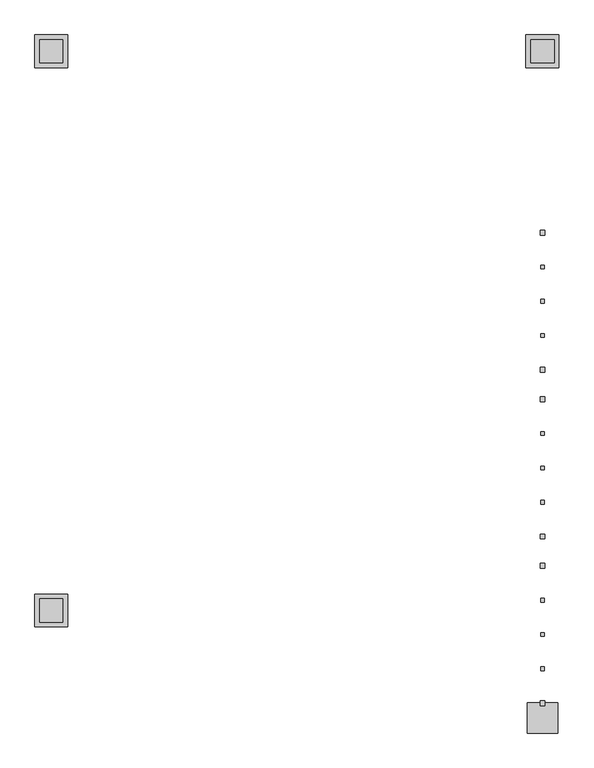
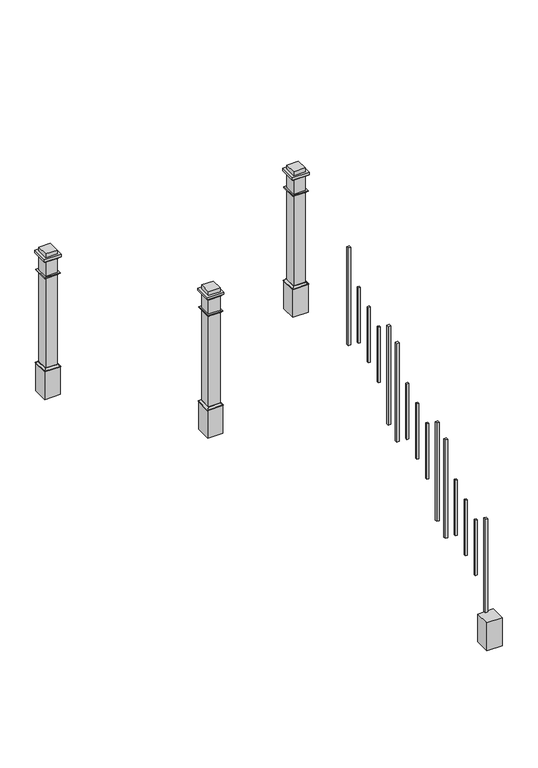
"""IFC4 building model written with IfcOpenShell, lengths in millimetres: railing geometry."""

from ifc_helpers import new_model, si_unit, frame, origin, place, context, project, spatial, polyline, ellipse_curve, outline, extrude, faceted_brep, source, transform, mapped, element, save
from ifc_brep_helpers import plane_surface, revolved_surface, advanced_brep


def railing_a93c2c6f(model_context):
    return source(origin(), model_context, "Body", "SolidModel", [
        extrude(outline(polyline([(-18256.4384928, 383.6340384), (-18281.8384928, 383.6340384), (-18281.8384928, 409.0340384), (-18256.4384928, 409.0340384), (-18256.4384928, 383.6340384)])), frame((0.0, 0.0, 1692.8814161), z_axis=(0.0, 0.0, 1.0), x_axis=(1.0, 0.0, 0.0)), (0.0, 0.0, 1.0), 1067.2519172),
        extrude(outline(polyline([(-18259.6134928, 208.0898059), (-18278.6634928, 208.0898059), (-18278.6634928, 227.1398059), (-18259.6134928, 227.1398059), (-18259.6134928, 208.0898059)])), frame((0.0, 0.0, 1825.7985131), z_axis=(0.0, 0.0, 1.0), x_axis=(1.0, 0.0, 0.0)), (0.0, 0.0, 1.0), 605.2992699),
        extrude(outline(polyline([(-18259.6134928, 29.3705733), (-18278.6634928, 29.3705733), (-18278.6634928, 48.4205733), (-18259.6134928, 48.4205733), (-18259.6134928, 29.3705733)])), frame((0.0, 0.0, 1717.4838267), z_axis=(0.0, 0.0, 1.0), x_axis=(1.0, 0.0, 0.0)), (0.0, 0.0, 1.0), 605.2992699),
        extrude(outline(polyline([(-18259.6134928, -149.3486592), (-18278.6634928, -149.3486592), (-18278.6634928, -130.2986592), (-18259.6134928, -130.2986592), (-18259.6134928, -149.3486592)])), frame((0.0, 0.0, 1609.1691403), z_axis=(0.0, 0.0, 1.0), x_axis=(1.0, 0.0, 0.0)), (0.0, 0.0, 1.0), 605.2992699),
        extrude(outline(polyline([(-18256.4384928, -331.2428917), (-18281.8384928, -331.2428917), (-18281.8384928, -305.8428917), (-18256.4384928, -305.8428917), (-18256.4384928, -331.2428917)])), frame((0.0, 0.0, 1259.6226706), z_axis=(0.0, 0.0, 1.0), x_axis=(1.0, 0.0, 0.0)), (0.0, 0.0, 1.0), 1075.1310532),
        extrude(outline(polyline([(-18256.4384928, -484.4308054), (-18281.8384928, -484.4308054), (-18281.8384928, -459.0308054), (-18256.4384928, -459.0308054), (-18256.4384928, -484.4308054)])), frame((0.0, 0.0, 1166.7815108), z_axis=(0.0, 0.0, 1.0), x_axis=(1.0, 0.0, 0.0)), (0.0, 0.0, 1.0), 1075.1310532),
        extrude(outline(polyline([(-18259.6134928, -659.9750379), (-18278.6634928, -659.9750379), (-18278.6634928, -640.9250379), (-18259.6134928, -640.9250379), (-18259.6134928, -659.9750379)])), frame((0.0, 0.0, 1299.6986078), z_axis=(0.0, 0.0, 1.0), x_axis=(1.0, 0.0, 0.0)), (0.0, 0.0, 1.0), 605.2992699),
        extrude(outline(polyline([(-18259.6134928, -838.6942704), (-18278.6634928, -838.6942704), (-18278.6634928, -819.6442704), (-18259.6134928, -819.6442704), (-18259.6134928, -838.6942704)])), frame((0.0, 0.0, 1191.3839214), z_axis=(0.0, 0.0, 1.0), x_axis=(1.0, 0.0, 0.0)), (0.0, 0.0, 1.0), 605.2992699),
        extrude(outline(polyline([(-18259.6134928, -1017.413503), (-18278.6634928, -1017.413503), (-18278.6634928, -998.363503), (-18259.6134928, -998.363503), (-18259.6134928, -1017.413503)])), frame((0.0, 0.0, 1083.069235), z_axis=(0.0, 0.0, 1.0), x_axis=(1.0, 0.0, 0.0)), (0.0, 0.0, 1.0), 605.2992699),
        extrude(outline(polyline([(-18256.4384928, -1199.3077355), (-18281.8384928, -1199.3077355), (-18281.8384928, -1173.9077355), (-18256.4384928, -1173.9077355), (-18256.4384928, -1199.3077355)])), frame((0.0, 0.0, 733.5227653), z_axis=(0.0, 0.0, 1.0), x_axis=(1.0, 0.0, 0.0)), (0.0, 0.0, 1.0), 1075.1310532),
        extrude(outline(polyline([(-18256.4384928, -1352.4956491), (-18281.8384928, -1352.4956491), (-18281.8384928, -1327.0956491), (-18256.4384928, -1327.0956491), (-18256.4384928, -1352.4956491)])), frame((0.0, 0.0, 640.6816055), z_axis=(0.0, 0.0, 1.0), x_axis=(1.0, 0.0, 0.0)), (0.0, 0.0, 1.0), 1075.1310532),
        extrude(outline(polyline([(-18259.6134928, -1528.0398816), (-18278.6634928, -1528.0398816), (-18278.6634928, -1508.9898816), (-18259.6134928, -1508.9898816), (-18259.6134928, -1528.0398816)])), frame((0.0, 0.0, 773.5987025), z_axis=(0.0, 0.0, 1.0), x_axis=(1.0, 0.0, 0.0)), (0.0, 0.0, 1.0), 605.2992699),
        extrude(outline(polyline([(-18259.6134928, -1706.7591142), (-18278.6634928, -1706.7591142), (-18278.6634928, -1687.7091142), (-18259.6134928, -1687.7091142), (-18259.6134928, -1706.7591142)])), frame((0.0, 0.0, 665.2840161), z_axis=(0.0, 0.0, 1.0), x_axis=(1.0, 0.0, 0.0)), (0.0, 0.0, 1.0), 605.2992699),
        extrude(outline(polyline([(-18259.6134928, -1885.4783467), (-18278.6634928, -1885.4783467), (-18278.6634928, -1866.4283467), (-18259.6134928, -1866.4283467), (-18259.6134928, -1885.4783467)])), frame((0.0, 0.0, 556.9693297), z_axis=(0.0, 0.0, 1.0), x_axis=(1.0, 0.0, 0.0)), (0.0, 0.0, 1.0), 605.2992699),
        extrude(outline(polyline([(-18256.4384928, -2067.3725792), (-18281.8384928, -2067.3725792), (-18281.8384928, -2041.9725792), (-18256.4384928, -2041.9725792), (-18256.4384928, -2067.3725792)])), frame((0.0, 0.0, 207.42286), z_axis=(0.0, 0.0, 1.0), x_axis=(1.0, 0.0, 0.0)), (0.0, 0.0, 1.0), 1075.1310532),
        extrude(outline(polyline([(-20751.3587559, 1261.617839), (-20910.1087559, 1261.617839), (-20910.1087559, 1420.367839), (-20751.3587559, 1420.367839), (-20751.3587559, 1261.617839)])), frame((0.0, 0.0, 1492.5303208), z_axis=(0.0, 0.0, 1.0), x_axis=(1.0, 0.0, 0.0)), (0.0, 0.0, 1.0), 304.8),
        extrude(outline(polyline([(-20770.4087559, 1280.667839), (-20891.0587559, 1280.667839), (-20891.0587559, 1401.317839), (-20770.4087559, 1401.317839), (-20770.4087559, 1280.667839)])), frame((0.0, 0.0, 1797.3303208), z_axis=(0.0, 0.0, 1.0), x_axis=(1.0, 0.0, 0.0)), (0.0, 0.0, 1.0), 1267.6030125),
        extrude(outline(polyline([(-20745.0087559, 1426.717839), (-20745.0087559, 1255.267839), (-20916.4587559, 1255.267839), (-20916.4587559, 1426.717839), (-20745.0087559, 1426.717839)]), holes=[polyline([(-20891.0587559, 1401.317839), (-20891.0587559, 1280.667839), (-20770.4087559, 1280.667839), (-20770.4087559, 1401.317839), (-20891.0587559, 1401.317839)])]), frame((0.0, 0.0, 2998.2583333), z_axis=(0.0, 0.0, 1.0), x_axis=(1.0, 0.0, 0.0)), (0.0, 0.0, 1.0), 25.4),
        advanced_brep(
        [(-20770.4087559, 1401.317839, 1797.3303208), (-20770.4087559, 1401.317839, 1819.5553208), (-20891.0587559, 1401.317839, 1819.5553208), (-20891.0587559, 1401.317839, 1797.3303208), (-20748.1837559, 1423.542839, 1803.6803208), (-20748.1837559, 1423.542839, 1797.3303208), (-20913.2837559, 1423.542839, 1797.3303208), (-20913.2837559, 1423.542839, 1803.6803208), (-20764.0587559, 1407.667839, 1819.5553208), (-20897.4087559, 1407.667839, 1819.5553208), (-20891.0587559, 1280.667839, 1819.5553208), (-20891.0587559, 1280.667839, 1797.3303208), (-20913.2837559, 1258.442839, 1797.3303208), (-20913.2837559, 1258.442839, 1803.6803208), (-20897.4087559, 1274.317839, 1819.5553208), (-20770.4087559, 1280.667839, 1819.5553208), (-20770.4087559, 1280.667839, 1797.3303208), (-20748.1837559, 1258.442839, 1797.3303208), (-20748.1837559, 1258.442839, 1803.6803208), (-20764.0587559, 1274.317839, 1819.5553208)],
        [
            (0, 1),
            (1, 2),
            (2, 3),
            (3, 0),
            (4, 5),
            (5, 6),
            (6, 7),
            (7, 4),
            (8, 4, ellipse_curve(frame((-20748.1837559, 1423.542839, 1819.5553208), z_axis=(0.7071067811865475, -0.7071067811865475, 0.0), x_axis=(-0.7071067811865476, -0.7071067811865474, 0.0)), 22.4506403, 15.875)),
            (7, 9, ellipse_curve(frame((-20913.2837559, 1423.542839, 1819.5553208), z_axis=(-0.7071067811865475, -0.7071067811865475, 0.0), x_axis=(-0.7071067811865476, 0.7071067811865474, 0.0)), 22.4506403, 15.875)),
            (9, 8),
            (2, 10),
            (10, 11),
            (11, 3),
            (6, 12),
            (12, 13),
            (13, 7),
            (13, 14, ellipse_curve(frame((-20913.2837559, 1258.442839, 1819.5553208), z_axis=(0.7071067811865475, -0.7071067811865475, 0.0), x_axis=(-0.7071067811865474, -0.7071067811865476, 0.0)), 22.4506403, 15.875)),
            (14, 9),
            (10, 15),
            (15, 16),
            (16, 11),
            (12, 17),
            (17, 18),
            (18, 13),
            (18, 19, ellipse_curve(frame((-20748.1837559, 1258.442839, 1819.5553208), z_axis=(0.7071067811865475, 0.7071067811865475, 0.0), x_axis=(0.7071067811865476, -0.7071067811865474, 0.0)), 22.4506403, 15.875)),
            (19, 14),
            (15, 1),
            (0, 16),
            (5, 17),
            (4, 18),
            (8, 19),
        ],
        [
            plane_surface(frame((-20770.4087559, 1401.317839, 1819.5553208), z_axis=(0.0, -1.0, 0.0), x_axis=(-1.0, 0.0, 0.0))),
            plane_surface(frame((-20748.1837559, 1423.542839, 1797.3303208), z_axis=(0.0, 1.0, 0.0), x_axis=(-1.0, 0.0, 0.0))),
            revolved_surface(polyline([(-20929.15875589811, 1407.667839, 1819.5553208), (-20732.308755901893, 1407.667839, 1819.5553208)]), (-20770.4087559, 1423.542839, 1819.5553208), (-1.0, 0.0, 0.0)),
            plane_surface(frame((-20891.0587559, 1401.317839, 1819.5553208), z_axis=(1.0, 0.0, 0.0), x_axis=(0.0, -1.0, 0.0))),
            plane_surface(frame((-20913.2837559, 1423.542839, 1797.3303208), z_axis=(-1.0, 0.0, 0.0), x_axis=(0.0, -1.0, 0.0))),
            revolved_surface(polyline([(-20897.4087559, 1242.56783900189, 1819.5553208), (-20897.4087559, 1439.41783899811, 1819.5553208)]), (-20913.2837559, 1401.317839, 1819.5553208), (0.0, -1.0, 0.0)),
            plane_surface(frame((-20891.0587559, 1280.667839, 1819.5553208), z_axis=(0.0, 1.0, 0.0), x_axis=(1.0, 0.0, 0.0))),
            plane_surface(frame((-20913.2837559, 1258.442839, 1797.3303208), z_axis=(0.0, -1.0, 0.0), x_axis=(1.0, 0.0, 0.0))),
            revolved_surface(polyline([(-20732.308755901893, 1274.317839, 1819.5553208), (-20929.15875589811, 1274.317839, 1819.5553208)]), (-20891.0587559, 1258.442839, 1819.5553208), (1.0, 0.0, 0.0)),
            plane_surface(frame((-20770.4087559, 1280.667839, 1819.5553208), z_axis=(-1.0, 0.0, 0.0), x_axis=(0.0, 1.0, 0.0))),
            plane_surface(frame((-20770.4087559, 1280.667839, 1797.3303208), z_axis=(0.0, 0.0, -1.0), x_axis=(0.0, 1.0, 0.0))),
            plane_surface(frame((-20748.1837559, 1258.442839, 1797.3303208), z_axis=(1.0, 0.0, 0.0), x_axis=(0.0, 1.0, 0.0))),
            revolved_surface(polyline([(-20764.0587559, 1439.41783899811, 1819.5553208), (-20764.0587559, 1242.56783900189, 1819.5553208)]), (-20748.1837559, 1280.667839, 1819.5553208), (0.0, 1.0, 0.0)),
            plane_surface(frame((-20764.0587559, 1274.317839, 1819.5553208), z_axis=(0.0, 0.0, 1.0), x_axis=(0.0, 1.0, 0.0))),
        ],
        [
            (0, [[1, 2, 3, 4]]),
            (1, [[5, 6, 7, 8]]),
            (2, [[9, -8, 10, 11]]),
            (3, [[-3, 12, 13, 14]]),
            (4, [[-7, 15, 16, 17]]),
            (5, [[-10, -17, 18, 19]]),
            (6, [[-13, 20, 21, 22]]),
            (7, [[-16, 23, 24, 25]]),
            (8, [[-18, -25, 26, 27]]),
            (9, [[-21, 28, -1, 29]]),
            (10, [[30, -23, -15, -6], [-14, -22, -29, -4]]),
            (11, [[-24, -30, -5, 31]]),
            (12, [[-26, -31, -9, 32]]),
            (13, [[-19, -27, -32, -11], [-28, -20, -12, -2]]),
        ],
    ),
        advanced_brep(
        [(-20770.4087559, 1401.317839, 2801.4083333), (-20770.4087559, 1401.317839, 2820.4583333), (-20891.0587559, 1401.317839, 2820.4583333), (-20891.0587559, 1401.317839, 2801.4083333), (-20751.3587559, 1420.367839, 2814.1083333), (-20764.0587559, 1407.667839, 2801.4083333), (-20897.4087559, 1407.667839, 2801.4083333), (-20910.1087559, 1420.367839, 2814.1083333), (-20751.3587559, 1420.367839, 2820.4583333), (-20910.1087559, 1420.367839, 2820.4583333), (-20891.0587559, 1280.667839, 2820.4583333), (-20891.0587559, 1280.667839, 2801.4083333), (-20897.4087559, 1274.317839, 2801.4083333), (-20910.1087559, 1261.617839, 2814.1083333), (-20910.1087559, 1261.617839, 2820.4583333), (-20770.4087559, 1280.667839, 2820.4583333), (-20770.4087559, 1280.667839, 2801.4083333), (-20764.0587559, 1274.317839, 2801.4083333), (-20751.3587559, 1261.617839, 2814.1083333), (-20751.3587559, 1261.617839, 2820.4583333)],
        [
            (0, 1),
            (1, 2),
            (2, 3),
            (3, 0),
            (4, 5, ellipse_curve(frame((-20751.3587559, 1420.367839, 2801.4083333), z_axis=(0.7071067811865475, -0.7071067811865475, 0.0), x_axis=(-0.7071067811865476, -0.7071067811865474, 0.0)), 17.9605122, 12.7)),
            (5, 6),
            (6, 7, ellipse_curve(frame((-20910.1087559, 1420.367839, 2801.4083333), z_axis=(-0.7071067811865475, -0.7071067811865475, 0.0), x_axis=(-0.7071067811865476, 0.7071067811865474, 0.0)), 17.9605122, 12.7)),
            (7, 4),
            (8, 4),
            (7, 9),
            (9, 8),
            (2, 10),
            (10, 11),
            (11, 3),
            (6, 12),
            (12, 13, ellipse_curve(frame((-20910.1087559, 1261.617839, 2801.4083333), z_axis=(0.7071067811865475, -0.7071067811865475, 0.0), x_axis=(-0.7071067811865474, -0.7071067811865476, 0.0)), 17.9605122, 12.7)),
            (13, 7),
            (13, 14),
            (14, 9),
            (10, 15),
            (15, 16),
            (16, 11),
            (12, 17),
            (17, 18, ellipse_curve(frame((-20751.3587559, 1261.617839, 2801.4083333), z_axis=(0.7071067811865475, 0.7071067811865475, 0.0), x_axis=(0.7071067811865476, -0.7071067811865474, 0.0)), 17.9605122, 12.7)),
            (18, 13),
            (18, 19),
            (19, 14),
            (19, 8),
            (1, 15),
            (0, 16),
            (5, 17),
            (4, 18),
        ],
        [
            plane_surface(frame((-20770.4087559, 1401.317839, 2820.4583333), z_axis=(0.0, -1.0, 0.0), x_axis=(-1.0, 0.0, 0.0))),
            revolved_surface(polyline([(-20922.808755870203, 1407.667839, 2801.4083333), (-20738.6587559298, 1407.667839, 2801.4083333)]), (-20770.4087559, 1420.367839, 2801.4083333), (-1.0, 0.0, 0.0)),
            plane_surface(frame((-20751.3587559, 1420.367839, 2814.1083333), z_axis=(0.0, 1.0, 0.0), x_axis=(-1.0, 0.0, 0.0))),
            plane_surface(frame((-20891.0587559, 1401.317839, 2820.4583333), z_axis=(1.0, 0.0, 0.0), x_axis=(0.0, -1.0, 0.0))),
            revolved_surface(polyline([(-20897.4087559, 1248.9178390297964, 2801.4083333), (-20897.4087559, 1433.0678389702036, 2801.4083333)]), (-20910.1087559, 1401.317839, 2801.4083333), (0.0, -1.0, 0.0)),
            plane_surface(frame((-20910.1087559, 1420.367839, 2814.1083333), z_axis=(-1.0, 0.0, 0.0), x_axis=(0.0, -1.0, 0.0))),
            plane_surface(frame((-20891.0587559, 1280.667839, 2820.4583333), z_axis=(0.0, 1.0, 0.0), x_axis=(1.0, 0.0, 0.0))),
            revolved_surface(polyline([(-20738.6587559298, 1274.317839, 2801.4083333), (-20922.808755870203, 1274.317839, 2801.4083333)]), (-20891.0587559, 1261.617839, 2801.4083333), (1.0, 0.0, 0.0)),
            plane_surface(frame((-20910.1087559, 1261.617839, 2814.1083333), z_axis=(0.0, -1.0, 0.0), x_axis=(1.0, 0.0, 0.0))),
            plane_surface(frame((-20751.3587559, 1261.617839, 2820.4583333), z_axis=(0.0, 0.0, 1.0), x_axis=(0.0, 1.0, 0.0))),
            plane_surface(frame((-20770.4087559, 1280.667839, 2820.4583333), z_axis=(-1.0, 0.0, 0.0), x_axis=(0.0, 1.0, 0.0))),
            plane_surface(frame((-20770.4087559, 1280.667839, 2801.4083333), z_axis=(0.0, 0.0, -1.0), x_axis=(0.0, 1.0, 0.0))),
            revolved_surface(polyline([(-20764.0587559, 1433.0678389702036, 2801.4083333), (-20764.0587559, 1248.9178390297964, 2801.4083333)]), (-20751.3587559, 1280.667839, 2801.4083333), (0.0, 1.0, 0.0)),
            plane_surface(frame((-20751.3587559, 1261.617839, 2814.1083333), z_axis=(1.0, 0.0, 0.0), x_axis=(0.0, 1.0, 0.0))),
        ],
        [
            (0, [[1, 2, 3, 4]]),
            (1, [[5, 6, 7, 8]]),
            (2, [[9, -8, 10, 11]]),
            (3, [[-3, 12, 13, 14]]),
            (4, [[-7, 15, 16, 17]]),
            (5, [[-10, -17, 18, 19]]),
            (6, [[-13, 20, 21, 22]]),
            (7, [[-16, 23, 24, 25]]),
            (8, [[-18, -25, 26, 27]]),
            (9, [[-19, -27, 28, -11], [29, -20, -12, -2]]),
            (10, [[-21, -29, -1, 30]]),
            (11, [[31, -23, -15, -6], [-14, -22, -30, -4]]),
            (12, [[-24, -31, -5, 32]]),
            (13, [[-26, -32, -9, -28]]),
        ],
    ),
        faceted_brep([(-20770.4087559, 1401.317839, 2979.2083333), (-20770.4087559, 1401.317839, 2998.2583333), (-20891.0587559, 1401.317839, 2998.2583333), (-20891.0587559, 1401.317839, 2979.2083333), (-20764.0587559, 1407.667839, 2991.9083333), (-20764.0587559, 1407.667839, 2979.2083333), (-20897.4087559, 1407.667839, 2979.2083333), (-20897.4087559, 1407.667839, 2991.9083333), (-20751.3587559, 1420.367839, 2998.2583333), (-20751.3587559, 1420.367839, 2991.9083333), (-20910.1087559, 1420.367839, 2991.9083333), (-20910.1087559, 1420.367839, 2998.2583333), (-20891.0587559, 1280.667839, 2998.2583333), (-20891.0587559, 1280.667839, 2979.2083333), (-20897.4087559, 1274.317839, 2979.2083333), (-20897.4087559, 1274.317839, 2991.9083333), (-20910.1087559, 1261.617839, 2991.9083333), (-20910.1087559, 1261.617839, 2998.2583333), (-20770.4087559, 1280.667839, 2998.2583333), (-20770.4087559, 1280.667839, 2979.2083333), (-20764.0587559, 1274.317839, 2979.2083333), (-20764.0587559, 1274.317839, 2991.9083333), (-20751.3587559, 1261.617839, 2991.9083333), (-20751.3587559, 1261.617839, 2998.2583333)], [[[0, 1, 2, 3]], [[4, 5, 6, 7]], [[8, 9, 10, 11]], [[3, 2, 12, 13]], [[7, 6, 14, 15]], [[11, 10, 16, 17]], [[13, 12, 18, 19]], [[15, 14, 20, 21]], [[17, 16, 22, 23]], [[19, 18, 1, 0]], [[5, 20, 14, 6], [3, 13, 19, 0]], [[21, 20, 5, 4]], [[9, 22, 16, 10], [7, 15, 21, 4]], [[23, 22, 9, 8]], [[11, 17, 23, 8], [1, 18, 12, 2]]]),
        extrude(outline(polyline([(-18348.5134928, 1261.617839), (-18348.5134928, 1420.367839), (-18189.7634928, 1420.367839), (-18189.7634928, 1261.617839), (-18348.5134928, 1261.617839)])), frame((0.0, 0.0, 1492.5303208), z_axis=(0.0, 0.0, 1.0), x_axis=(1.0, 0.0, 0.0)), (0.0, 0.0, 1.0), 304.8),
        extrude(outline(polyline([(-18329.4634928, 1280.667839), (-18329.4634928, 1401.317839), (-18208.8134928, 1401.317839), (-18208.8134928, 1280.667839), (-18329.4634928, 1280.667839)])), frame((0.0, 0.0, 1797.3303208), z_axis=(0.0, 0.0, 1.0), x_axis=(1.0, 0.0, 0.0)), (0.0, 0.0, 1.0), 1267.6030125),
        extrude(outline(polyline([(-18183.4134928, 1255.267839), (-18354.8634928, 1255.267839), (-18354.8634928, 1426.717839), (-18183.4134928, 1426.717839), (-18183.4134928, 1255.267839)]), holes=[polyline([(-18208.8134928, 1401.317839), (-18329.4634928, 1401.317839), (-18329.4634928, 1280.667839), (-18208.8134928, 1280.667839), (-18208.8134928, 1401.317839)])]), frame((0.0, 0.0, 2998.2583333), z_axis=(0.0, 0.0, 1.0), x_axis=(1.0, 0.0, 0.0)), (0.0, 0.0, 1.0), 25.4),
        advanced_brep(
        [(-18208.8134928, 1280.667839, 1797.3303208), (-18208.8134928, 1280.667839, 1819.5553208), (-18208.8134928, 1401.317839, 1819.5553208), (-18208.8134928, 1401.317839, 1797.3303208), (-18186.5884928, 1258.442839, 1803.6803208), (-18186.5884928, 1258.442839, 1797.3303208), (-18186.5884928, 1423.542839, 1797.3303208), (-18186.5884928, 1423.542839, 1803.6803208), (-18202.4634928, 1274.317839, 1819.5553208), (-18202.4634928, 1407.667839, 1819.5553208), (-18329.4634928, 1401.317839, 1819.5553208), (-18329.4634928, 1401.317839, 1797.3303208), (-18351.6884928, 1423.542839, 1797.3303208), (-18351.6884928, 1423.542839, 1803.6803208), (-18335.8134928, 1407.667839, 1819.5553208), (-18329.4634928, 1280.667839, 1819.5553208), (-18329.4634928, 1280.667839, 1797.3303208), (-18351.6884928, 1258.442839, 1797.3303208), (-18351.6884928, 1258.442839, 1803.6803208), (-18335.8134928, 1274.317839, 1819.5553208)],
        [
            (0, 1),
            (1, 2),
            (2, 3),
            (3, 0),
            (4, 5),
            (5, 6),
            (6, 7),
            (7, 4),
            (8, 4, ellipse_curve(frame((-18186.5884928, 1258.442839, 1819.5553208), z_axis=(-0.7071067811865475, -0.7071067811865475, 0.0), x_axis=(-0.7071067811865474, 0.7071067811865476, 0.0)), 22.4506403, 15.875)),
            (7, 9, ellipse_curve(frame((-18186.5884928, 1423.542839, 1819.5553208), z_axis=(-0.7071067811865475, 0.7071067811865475, 0.0), x_axis=(0.7071067811865474, 0.7071067811865476, 0.0)), 22.4506403, 15.875)),
            (9, 8),
            (2, 10),
            (10, 11),
            (11, 3),
            (6, 12),
            (12, 13),
            (13, 7),
            (13, 14, ellipse_curve(frame((-18351.6884928, 1423.542839, 1819.5553208), z_axis=(-0.7071067811865475, -0.7071067811865475, 0.0), x_axis=(-0.7071067811865476, 0.7071067811865474, 0.0)), 22.4506403, 15.875)),
            (14, 9),
            (10, 15),
            (15, 16),
            (16, 11),
            (12, 17),
            (17, 18),
            (18, 13),
            (18, 19, ellipse_curve(frame((-18351.6884928, 1258.442839, 1819.5553208), z_axis=(0.7071067811865475, -0.7071067811865475, 0.0), x_axis=(-0.7071067811865474, -0.7071067811865476, 0.0)), 22.4506403, 15.875)),
            (19, 14),
            (15, 1),
            (0, 16),
            (5, 17),
            (4, 18),
            (8, 19),
        ],
        [
            plane_surface(frame((-18208.8134928, 1280.667839, 1819.5553208), z_axis=(-1.0, 0.0, 0.0), x_axis=(0.0, 1.0, 0.0))),
            plane_surface(frame((-18186.5884928, 1258.442839, 1797.3303208), z_axis=(1.0, 0.0, 0.0), x_axis=(0.0, 1.0, 0.0))),
            revolved_surface(polyline([(-18202.4634928, 1439.41783899811, 1819.5553208), (-18202.4634928, 1242.56783900189, 1819.5553208)]), (-18186.5884928, 1280.667839, 1819.5553208), (0.0, 1.0, 0.0)),
            plane_surface(frame((-18208.8134928, 1401.317839, 1819.5553208), z_axis=(0.0, -1.0, 0.0), x_axis=(-1.0, 0.0, 0.0))),
            plane_surface(frame((-18186.5884928, 1423.542839, 1797.3303208), z_axis=(0.0, 1.0, 0.0), x_axis=(-1.0, 0.0, 0.0))),
            revolved_surface(polyline([(-18367.56349279811, 1407.667839, 1819.5553208), (-18170.713492801893, 1407.667839, 1819.5553208)]), (-18208.8134928, 1423.542839, 1819.5553208), (-1.0, 0.0, 0.0)),
            plane_surface(frame((-18329.4634928, 1401.317839, 1819.5553208), z_axis=(1.0, 0.0, 0.0), x_axis=(0.0, -1.0, 0.0))),
            plane_surface(frame((-18351.6884928, 1423.542839, 1797.3303208), z_axis=(-1.0, 0.0, 0.0), x_axis=(0.0, -1.0, 0.0))),
            revolved_surface(polyline([(-18335.8134928, 1242.56783900189, 1819.5553208), (-18335.8134928, 1439.41783899811, 1819.5553208)]), (-18351.6884928, 1401.317839, 1819.5553208), (0.0, -1.0, 0.0)),
            plane_surface(frame((-18329.4634928, 1280.667839, 1819.5553208), z_axis=(0.0, 1.0, 0.0), x_axis=(1.0, 0.0, 0.0))),
            plane_surface(frame((-18329.4634928, 1280.667839, 1797.3303208), z_axis=(0.0, 0.0, -1.0), x_axis=(1.0, 0.0, 0.0))),
            plane_surface(frame((-18351.6884928, 1258.442839, 1797.3303208), z_axis=(0.0, -1.0, 0.0), x_axis=(1.0, 0.0, 0.0))),
            revolved_surface(polyline([(-18170.713492801893, 1274.317839, 1819.5553208), (-18367.56349279811, 1274.317839, 1819.5553208)]), (-18329.4634928, 1258.442839, 1819.5553208), (1.0, 0.0, 0.0)),
            plane_surface(frame((-18335.8134928, 1274.317839, 1819.5553208), z_axis=(0.0, 0.0, 1.0), x_axis=(1.0, 0.0, 0.0))),
        ],
        [
            (0, [[1, 2, 3, 4]]),
            (1, [[5, 6, 7, 8]]),
            (2, [[9, -8, 10, 11]]),
            (3, [[-3, 12, 13, 14]]),
            (4, [[-7, 15, 16, 17]]),
            (5, [[-10, -17, 18, 19]]),
            (6, [[-13, 20, 21, 22]]),
            (7, [[-16, 23, 24, 25]]),
            (8, [[-18, -25, 26, 27]]),
            (9, [[-21, 28, -1, 29]]),
            (10, [[30, -23, -15, -6], [-14, -22, -29, -4]]),
            (11, [[-24, -30, -5, 31]]),
            (12, [[-26, -31, -9, 32]]),
            (13, [[-19, -27, -32, -11], [-28, -20, -12, -2]]),
        ],
    ),
        advanced_brep(
        [(-18208.8134928, 1280.667839, 2801.4083333), (-18208.8134928, 1280.667839, 2820.4583333), (-18208.8134928, 1401.317839, 2820.4583333), (-18208.8134928, 1401.317839, 2801.4083333), (-18189.7634928, 1261.617839, 2814.1083333), (-18202.4634928, 1274.317839, 2801.4083333), (-18202.4634928, 1407.667839, 2801.4083333), (-18189.7634928, 1420.367839, 2814.1083333), (-18189.7634928, 1261.617839, 2820.4583333), (-18189.7634928, 1420.367839, 2820.4583333), (-18329.4634928, 1401.317839, 2820.4583333), (-18329.4634928, 1401.317839, 2801.4083333), (-18335.8134928, 1407.667839, 2801.4083333), (-18348.5134928, 1420.367839, 2814.1083333), (-18348.5134928, 1420.367839, 2820.4583333), (-18329.4634928, 1280.667839, 2820.4583333), (-18329.4634928, 1280.667839, 2801.4083333), (-18335.8134928, 1274.317839, 2801.4083333), (-18348.5134928, 1261.617839, 2814.1083333), (-18348.5134928, 1261.617839, 2820.4583333)],
        [
            (0, 1),
            (1, 2),
            (2, 3),
            (3, 0),
            (4, 5, ellipse_curve(frame((-18189.7634928, 1261.617839, 2801.4083333), z_axis=(-0.7071067811865475, -0.7071067811865475, 0.0), x_axis=(-0.7071067811865474, 0.7071067811865476, 0.0)), 17.9605122, 12.7)),
            (5, 6),
            (6, 7, ellipse_curve(frame((-18189.7634928, 1420.367839, 2801.4083333), z_axis=(-0.7071067811865475, 0.7071067811865475, 0.0), x_axis=(0.7071067811865474, 0.7071067811865476, 0.0)), 17.9605122, 12.7)),
            (7, 4),
            (8, 4),
            (7, 9),
            (9, 8),
            (2, 10),
            (10, 11),
            (11, 3),
            (6, 12),
            (12, 13, ellipse_curve(frame((-18348.5134928, 1420.367839, 2801.4083333), z_axis=(-0.7071067811865475, -0.7071067811865475, 0.0), x_axis=(-0.7071067811865476, 0.7071067811865474, 0.0)), 17.9605122, 12.7)),
            (13, 7),
            (13, 14),
            (14, 9),
            (10, 15),
            (15, 16),
            (16, 11),
            (12, 17),
            (17, 18, ellipse_curve(frame((-18348.5134928, 1261.617839, 2801.4083333), z_axis=(0.7071067811865475, -0.7071067811865475, 0.0), x_axis=(-0.7071067811865474, -0.7071067811865476, 0.0)), 17.9605122, 12.7)),
            (18, 13),
            (18, 19),
            (19, 14),
            (19, 8),
            (1, 15),
            (0, 16),
            (5, 17),
            (4, 18),
        ],
        [
            plane_surface(frame((-18208.8134928, 1280.667839, 2820.4583333), z_axis=(-1.0, 0.0, 0.0), x_axis=(0.0, 1.0, 0.0))),
            revolved_surface(polyline([(-18202.4634928, 1433.0678389702036, 2801.4083333), (-18202.4634928, 1248.9178390297964, 2801.4083333)]), (-18189.7634928, 1280.667839, 2801.4083333), (0.0, 1.0, 0.0)),
            plane_surface(frame((-18189.7634928, 1261.617839, 2814.1083333), z_axis=(1.0, 0.0, 0.0), x_axis=(0.0, 1.0, 0.0))),
            plane_surface(frame((-18208.8134928, 1401.317839, 2820.4583333), z_axis=(0.0, -1.0, 0.0), x_axis=(-1.0, 0.0, 0.0))),
            revolved_surface(polyline([(-18361.213492770203, 1407.667839, 2801.4083333), (-18177.0634928298, 1407.667839, 2801.4083333)]), (-18208.8134928, 1420.367839, 2801.4083333), (-1.0, 0.0, 0.0)),
            plane_surface(frame((-18189.7634928, 1420.367839, 2814.1083333), z_axis=(0.0, 1.0, 0.0), x_axis=(-1.0, 0.0, 0.0))),
            plane_surface(frame((-18329.4634928, 1401.317839, 2820.4583333), z_axis=(1.0, 0.0, 0.0), x_axis=(0.0, -1.0, 0.0))),
            revolved_surface(polyline([(-18335.8134928, 1248.9178390297964, 2801.4083333), (-18335.8134928, 1433.0678389702036, 2801.4083333)]), (-18348.5134928, 1401.317839, 2801.4083333), (0.0, -1.0, 0.0)),
            plane_surface(frame((-18348.5134928, 1420.367839, 2814.1083333), z_axis=(-1.0, 0.0, 0.0), x_axis=(0.0, -1.0, 0.0))),
            plane_surface(frame((-18348.5134928, 1261.617839, 2820.4583333), z_axis=(0.0, 0.0, 1.0), x_axis=(1.0, 0.0, 0.0))),
            plane_surface(frame((-18329.4634928, 1280.667839, 2820.4583333), z_axis=(0.0, 1.0, 0.0), x_axis=(1.0, 0.0, 0.0))),
            plane_surface(frame((-18329.4634928, 1280.667839, 2801.4083333), z_axis=(0.0, 0.0, -1.0), x_axis=(1.0, 0.0, 0.0))),
            revolved_surface(polyline([(-18177.0634928298, 1274.317839, 2801.4083333), (-18361.213492770203, 1274.317839, 2801.4083333)]), (-18329.4634928, 1261.617839, 2801.4083333), (1.0, 0.0, 0.0)),
            plane_surface(frame((-18348.5134928, 1261.617839, 2814.1083333), z_axis=(0.0, -1.0, 0.0), x_axis=(1.0, 0.0, 0.0))),
        ],
        [
            (0, [[1, 2, 3, 4]]),
            (1, [[5, 6, 7, 8]]),
            (2, [[9, -8, 10, 11]]),
            (3, [[-3, 12, 13, 14]]),
            (4, [[-7, 15, 16, 17]]),
            (5, [[-10, -17, 18, 19]]),
            (6, [[-13, 20, 21, 22]]),
            (7, [[-16, 23, 24, 25]]),
            (8, [[-18, -25, 26, 27]]),
            (9, [[-19, -27, 28, -11], [29, -20, -12, -2]]),
            (10, [[-21, -29, -1, 30]]),
            (11, [[31, -23, -15, -6], [-14, -22, -30, -4]]),
            (12, [[-24, -31, -5, 32]]),
            (13, [[-26, -32, -9, -28]]),
        ],
    ),
        faceted_brep([(-18208.8134928, 1280.667839, 2979.2083333), (-18208.8134928, 1280.667839, 2998.2583333), (-18208.8134928, 1401.317839, 2998.2583333), (-18208.8134928, 1401.317839, 2979.2083333), (-18202.4634928, 1274.317839, 2991.9083333), (-18202.4634928, 1274.317839, 2979.2083333), (-18202.4634928, 1407.667839, 2979.2083333), (-18202.4634928, 1407.667839, 2991.9083333), (-18189.7634928, 1261.617839, 2998.2583333), (-18189.7634928, 1261.617839, 2991.9083333), (-18189.7634928, 1420.367839, 2991.9083333), (-18189.7634928, 1420.367839, 2998.2583333), (-18329.4634928, 1401.317839, 2998.2583333), (-18329.4634928, 1401.317839, 2979.2083333), (-18335.8134928, 1407.667839, 2979.2083333), (-18335.8134928, 1407.667839, 2991.9083333), (-18348.5134928, 1420.367839, 2991.9083333), (-18348.5134928, 1420.367839, 2998.2583333), (-18329.4634928, 1280.667839, 2998.2583333), (-18329.4634928, 1280.667839, 2979.2083333), (-18335.8134928, 1274.317839, 2979.2083333), (-18335.8134928, 1274.317839, 2991.9083333), (-18348.5134928, 1261.617839, 2991.9083333), (-18348.5134928, 1261.617839, 2998.2583333)], [[[0, 1, 2, 3]], [[4, 5, 6, 7]], [[8, 9, 10, 11]], [[3, 2, 12, 13]], [[7, 6, 14, 15]], [[11, 10, 16, 17]], [[13, 12, 18, 19]], [[15, 14, 20, 21]], [[17, 16, 22, 23]], [[19, 18, 1, 0]], [[5, 20, 14, 6], [3, 13, 19, 0]], [[21, 20, 5, 4]], [[9, 22, 16, 10], [7, 15, 21, 4]], [[23, 22, 9, 8]], [[11, 17, 23, 8], [1, 18, 12, 2]]]),
        extrude(outline(polyline([(-20751.3587559, -1493.091536), (-20751.3587559, -1651.841536), (-20910.1087559, -1651.841536), (-20910.1087559, -1493.091536), (-20751.3587559, -1493.091536)])), frame((0.0, 0.0, 2836.4689468), z_axis=(0.0, 0.0, 1.0), x_axis=(1.0, 0.0, 0.0)), (0.0, 0.0, 1.0), 304.8),
        extrude(outline(polyline([(-20770.4087559, -1512.141536), (-20770.4087559, -1632.791536), (-20891.0587559, -1632.791536), (-20891.0587559, -1512.141536), (-20770.4087559, -1512.141536)])), frame((0.0, 0.0, 3141.2689468), z_axis=(0.0, 0.0, 1.0), x_axis=(1.0, 0.0, 0.0)), (0.0, 0.0, 1.0), 1278.3310532),
        extrude(outline(polyline([(-20916.4587559, -1486.741536), (-20745.0087559, -1486.741536), (-20745.0087559, -1658.191536), (-20916.4587559, -1658.191536), (-20916.4587559, -1486.741536)]), holes=[polyline([(-20891.0587559, -1632.791536), (-20770.4087559, -1632.791536), (-20770.4087559, -1512.141536), (-20891.0587559, -1512.141536), (-20891.0587559, -1632.791536)])]), frame((0.0, 0.0, 4352.925), z_axis=(0.0, 0.0, 1.0), x_axis=(1.0, 0.0, 0.0)), (0.0, 0.0, 1.0), 25.4),
        advanced_brep(
        [(-20891.0587559, -1512.141536, 3141.2689468), (-20891.0587559, -1512.141536, 3163.4939468), (-20891.0587559, -1632.791536, 3163.4939468), (-20891.0587559, -1632.791536, 3141.2689468), (-20913.2837559, -1489.916536, 3147.6189468), (-20913.2837559, -1489.916536, 3141.2689468), (-20913.2837559, -1655.016536, 3141.2689468), (-20913.2837559, -1655.016536, 3147.6189468), (-20897.4087559, -1505.791536, 3163.4939468), (-20897.4087559, -1639.141536, 3163.4939468), (-20770.4087559, -1632.791536, 3163.4939468), (-20770.4087559, -1632.791536, 3141.2689468), (-20748.1837559, -1655.016536, 3141.2689468), (-20748.1837559, -1655.016536, 3147.6189468), (-20764.0587559, -1639.141536, 3163.4939468), (-20770.4087559, -1512.141536, 3163.4939468), (-20770.4087559, -1512.141536, 3141.2689468), (-20748.1837559, -1489.916536, 3141.2689468), (-20748.1837559, -1489.916536, 3147.6189468), (-20764.0587559, -1505.791536, 3163.4939468)],
        [
            (0, 1),
            (1, 2),
            (2, 3),
            (3, 0),
            (4, 5),
            (5, 6),
            (6, 7),
            (7, 4),
            (8, 4, ellipse_curve(frame((-20913.2837559, -1489.916536, 3163.4939468), z_axis=(0.7071067811865475, 0.7071067811865475, 0.0), x_axis=(0.7071067811865474, -0.7071067811865476, 0.0)), 22.4506403, 15.875)),
            (7, 9, ellipse_curve(frame((-20913.2837559, -1655.016536, 3163.4939468), z_axis=(0.7071067811865475, -0.7071067811865475, 0.0), x_axis=(-0.7071067811865474, -0.7071067811865476, 0.0)), 22.4506403, 15.875)),
            (9, 8),
            (2, 10),
            (10, 11),
            (11, 3),
            (6, 12),
            (12, 13),
            (13, 7),
            (13, 14, ellipse_curve(frame((-20748.1837559, -1655.016536, 3163.4939468), z_axis=(0.7071067811865475, 0.7071067811865475, 0.0), x_axis=(0.7071067811865476, -0.7071067811865474, 0.0)), 22.4506403, 15.875)),
            (14, 9),
            (10, 15),
            (15, 16),
            (16, 11),
            (12, 17),
            (17, 18),
            (18, 13),
            (18, 19, ellipse_curve(frame((-20748.1837559, -1489.916536, 3163.4939468), z_axis=(-0.7071067811865475, 0.7071067811865475, 0.0), x_axis=(0.7071067811865474, 0.7071067811865476, 0.0)), 22.4506403, 15.875)),
            (19, 14),
            (15, 1),
            (0, 16),
            (5, 17),
            (4, 18),
            (8, 19),
        ],
        [
            plane_surface(frame((-20891.0587559, -1512.141536, 3163.4939468), z_axis=(1.0, 0.0, 0.0), x_axis=(0.0, -1.0, 0.0))),
            plane_surface(frame((-20913.2837559, -1489.916536, 3141.2689468), z_axis=(-1.0, 0.0, 0.0), x_axis=(0.0, -1.0, 0.0))),
            revolved_surface(polyline([(-20897.4087559, -1670.8915359981102, 3163.4939468), (-20897.4087559, -1474.0415360018899, 3163.4939468)]), (-20913.2837559, -1512.141536, 3163.4939468), (0.0, -1.0, 0.0)),
            plane_surface(frame((-20891.0587559, -1632.791536, 3163.4939468), z_axis=(0.0, 1.0, 0.0), x_axis=(1.0, 0.0, 0.0))),
            plane_surface(frame((-20913.2837559, -1655.016536, 3141.2689468), z_axis=(0.0, -1.0, 0.0), x_axis=(1.0, 0.0, 0.0))),
            revolved_surface(polyline([(-20732.308755901893, -1639.141536, 3163.4939468), (-20929.15875589811, -1639.141536, 3163.4939468)]), (-20891.0587559, -1655.016536, 3163.4939468), (1.0, 0.0, 0.0)),
            plane_surface(frame((-20770.4087559, -1632.791536, 3163.4939468), z_axis=(-1.0, 0.0, 0.0), x_axis=(0.0, 1.0, 0.0))),
            plane_surface(frame((-20748.1837559, -1655.016536, 3141.2689468), z_axis=(1.0, 0.0, 0.0), x_axis=(0.0, 1.0, 0.0))),
            revolved_surface(polyline([(-20764.0587559, -1474.0415360018899, 3163.4939468), (-20764.0587559, -1670.8915359981102, 3163.4939468)]), (-20748.1837559, -1632.791536, 3163.4939468), (0.0, 1.0, 0.0)),
            plane_surface(frame((-20770.4087559, -1512.141536, 3163.4939468), z_axis=(0.0, -1.0, 0.0), x_axis=(-1.0, 0.0, 0.0))),
            plane_surface(frame((-20770.4087559, -1512.141536, 3141.2689468), z_axis=(0.0, 0.0, -1.0), x_axis=(-1.0, 0.0, 0.0))),
            plane_surface(frame((-20748.1837559, -1489.916536, 3141.2689468), z_axis=(0.0, 1.0, 0.0), x_axis=(-1.0, 0.0, 0.0))),
            revolved_surface(polyline([(-20929.15875589811, -1505.791536, 3163.4939468), (-20732.308755901893, -1505.791536, 3163.4939468)]), (-20770.4087559, -1489.916536, 3163.4939468), (-1.0, 0.0, 0.0)),
            plane_surface(frame((-20764.0587559, -1505.791536, 3163.4939468), z_axis=(0.0, 0.0, 1.0), x_axis=(-1.0, 0.0, 0.0))),
        ],
        [
            (0, [[1, 2, 3, 4]]),
            (1, [[5, 6, 7, 8]]),
            (2, [[9, -8, 10, 11]]),
            (3, [[-3, 12, 13, 14]]),
            (4, [[-7, 15, 16, 17]]),
            (5, [[-10, -17, 18, 19]]),
            (6, [[-13, 20, 21, 22]]),
            (7, [[-16, 23, 24, 25]]),
            (8, [[-18, -25, 26, 27]]),
            (9, [[-21, 28, -1, 29]]),
            (10, [[30, -23, -15, -6], [-14, -22, -29, -4]]),
            (11, [[-24, -30, -5, 31]]),
            (12, [[-26, -31, -9, 32]]),
            (13, [[-19, -27, -32, -11], [-28, -20, -12, -2]]),
        ],
    ),
        advanced_brep(
        [(-20891.0587559, -1512.141536, 4156.075), (-20891.0587559, -1512.141536, 4175.125), (-20891.0587559, -1632.791536, 4175.125), (-20891.0587559, -1632.791536, 4156.075), (-20910.1087559, -1493.091536, 4168.775), (-20897.4087559, -1505.791536, 4156.075), (-20897.4087559, -1639.141536, 4156.075), (-20910.1087559, -1651.841536, 4168.775), (-20910.1087559, -1493.091536, 4175.125), (-20910.1087559, -1651.841536, 4175.125), (-20770.4087559, -1632.791536, 4175.125), (-20770.4087559, -1632.791536, 4156.075), (-20764.0587559, -1639.141536, 4156.075), (-20751.3587559, -1651.841536, 4168.775), (-20751.3587559, -1651.841536, 4175.125), (-20770.4087559, -1512.141536, 4175.125), (-20770.4087559, -1512.141536, 4156.075), (-20764.0587559, -1505.791536, 4156.075), (-20751.3587559, -1493.091536, 4168.775), (-20751.3587559, -1493.091536, 4175.125)],
        [
            (0, 1),
            (1, 2),
            (2, 3),
            (3, 0),
            (4, 5, ellipse_curve(frame((-20910.1087559, -1493.091536, 4156.075), z_axis=(0.7071067811865475, 0.7071067811865475, 0.0), x_axis=(0.7071067811865474, -0.7071067811865476, 0.0)), 17.9605122, 12.7)),
            (5, 6),
            (6, 7, ellipse_curve(frame((-20910.1087559, -1651.841536, 4156.075), z_axis=(0.7071067811865475, -0.7071067811865475, 0.0), x_axis=(-0.7071067811865474, -0.7071067811865476, 0.0)), 17.9605122, 12.7)),
            (7, 4),
            (8, 4),
            (7, 9),
            (9, 8),
            (2, 10),
            (10, 11),
            (11, 3),
            (6, 12),
            (12, 13, ellipse_curve(frame((-20751.3587559, -1651.841536, 4156.075), z_axis=(0.7071067811865475, 0.7071067811865475, 0.0), x_axis=(0.7071067811865476, -0.7071067811865474, 0.0)), 17.9605122, 12.7)),
            (13, 7),
            (13, 14),
            (14, 9),
            (10, 15),
            (15, 16),
            (16, 11),
            (12, 17),
            (17, 18, ellipse_curve(frame((-20751.3587559, -1493.091536, 4156.075), z_axis=(-0.7071067811865475, 0.7071067811865475, 0.0), x_axis=(0.7071067811865474, 0.7071067811865476, 0.0)), 17.9605122, 12.7)),
            (18, 13),
            (18, 19),
            (19, 14),
            (19, 8),
            (1, 15),
            (0, 16),
            (5, 17),
            (4, 18),
        ],
        [
            plane_surface(frame((-20891.0587559, -1512.141536, 4175.125), z_axis=(1.0, 0.0, 0.0), x_axis=(0.0, -1.0, 0.0))),
            revolved_surface(polyline([(-20897.4087559, -1664.5415359702035, 4156.075), (-20897.4087559, -1480.3915360297963, 4156.075)]), (-20910.1087559, -1512.141536, 4156.075), (0.0, -1.0, 0.0)),
            plane_surface(frame((-20910.1087559, -1493.091536, 4168.775), z_axis=(-1.0, 0.0, 0.0), x_axis=(0.0, -1.0, 0.0))),
            plane_surface(frame((-20891.0587559, -1632.791536, 4175.125), z_axis=(0.0, 1.0, 0.0), x_axis=(1.0, 0.0, 0.0))),
            revolved_surface(polyline([(-20738.6587559298, -1639.1415359999999, 4156.075), (-20922.808755870203, -1639.1415359999999, 4156.075)]), (-20891.0587559, -1651.841536, 4156.075), (1.0, 0.0, 0.0)),
            plane_surface(frame((-20910.1087559, -1651.841536, 4168.775), z_axis=(0.0, -1.0, 0.0), x_axis=(1.0, 0.0, 0.0))),
            plane_surface(frame((-20770.4087559, -1632.791536, 4175.125), z_axis=(-1.0, 0.0, 0.0), x_axis=(0.0, 1.0, 0.0))),
            revolved_surface(polyline([(-20764.0587559, -1480.3915360297963, 4156.075), (-20764.0587559, -1664.5415359702035, 4156.075)]), (-20751.3587559, -1632.791536, 4156.075), (0.0, 1.0, 0.0)),
            plane_surface(frame((-20751.3587559, -1651.841536, 4168.775), z_axis=(1.0, 0.0, 0.0), x_axis=(0.0, 1.0, 0.0))),
            plane_surface(frame((-20751.3587559, -1493.091536, 4175.125), z_axis=(0.0, 0.0, 1.0), x_axis=(-1.0, 0.0, 0.0))),
            plane_surface(frame((-20770.4087559, -1512.141536, 4175.125), z_axis=(0.0, -1.0, 0.0), x_axis=(-1.0, 0.0, 0.0))),
            plane_surface(frame((-20770.4087559, -1512.141536, 4156.075), z_axis=(0.0, 0.0, -1.0), x_axis=(-1.0, 0.0, 0.0))),
            revolved_surface(polyline([(-20922.808755870203, -1505.791536, 4156.075), (-20738.6587559298, -1505.791536, 4156.075)]), (-20770.4087559, -1493.091536, 4156.075), (-1.0, 0.0, 0.0)),
            plane_surface(frame((-20751.3587559, -1493.091536, 4168.775), z_axis=(0.0, 1.0, 0.0), x_axis=(-1.0, 0.0, 0.0))),
        ],
        [
            (0, [[1, 2, 3, 4]]),
            (1, [[5, 6, 7, 8]]),
            (2, [[9, -8, 10, 11]]),
            (3, [[-3, 12, 13, 14]]),
            (4, [[-7, 15, 16, 17]]),
            (5, [[-10, -17, 18, 19]]),
            (6, [[-13, 20, 21, 22]]),
            (7, [[-16, 23, 24, 25]]),
            (8, [[-18, -25, 26, 27]]),
            (9, [[-19, -27, 28, -11], [29, -20, -12, -2]]),
            (10, [[-21, -29, -1, 30]]),
            (11, [[31, -23, -15, -6], [-14, -22, -30, -4]]),
            (12, [[-24, -31, -5, 32]]),
            (13, [[-26, -32, -9, -28]]),
        ],
    ),
        faceted_brep([(-20891.0587559, -1512.141536, 4333.875), (-20891.0587559, -1512.141536, 4352.925), (-20891.0587559, -1632.791536, 4352.925), (-20891.0587559, -1632.791536, 4333.875), (-20897.4087559, -1505.791536, 4346.575), (-20897.4087559, -1505.791536, 4333.875), (-20897.4087559, -1639.141536, 4333.875), (-20897.4087559, -1639.141536, 4346.575), (-20910.1087559, -1493.091536, 4352.925), (-20910.1087559, -1493.091536, 4346.575), (-20910.1087559, -1651.841536, 4346.575), (-20910.1087559, -1651.841536, 4352.925), (-20770.4087559, -1632.791536, 4352.925), (-20770.4087559, -1632.791536, 4333.875), (-20764.0587559, -1639.141536, 4333.875), (-20764.0587559, -1639.141536, 4346.575), (-20751.3587559, -1651.841536, 4346.575), (-20751.3587559, -1651.841536, 4352.925), (-20770.4087559, -1512.141536, 4352.925), (-20770.4087559, -1512.141536, 4333.875), (-20764.0587559, -1505.791536, 4333.875), (-20764.0587559, -1505.791536, 4346.575), (-20751.3587559, -1493.091536, 4346.575), (-20751.3587559, -1493.091536, 4352.925)], [[[0, 1, 2, 3]], [[4, 5, 6, 7]], [[8, 9, 10, 11]], [[3, 2, 12, 13]], [[7, 6, 14, 15]], [[11, 10, 16, 17]], [[13, 12, 18, 19]], [[15, 14, 20, 21]], [[17, 16, 22, 23]], [[19, 18, 1, 0]], [[5, 20, 14, 6], [3, 13, 19, 0]], [[21, 20, 5, 4]], [[9, 22, 16, 10], [7, 15, 21, 4]], [[23, 22, 9, 8]], [[11, 17, 23, 8], [1, 18, 12, 2]]]),
        extrude(outline(polyline([(-18348.5134928, -2210.641536), (-18348.5134928, -2051.891536), (-18189.7634928, -2051.891536), (-18189.7634928, -2210.641536), (-18348.5134928, -2210.641536)])), frame((0.0, 0.0, -42.1977199), z_axis=(0.0, 0.0, 1.0), x_axis=(1.0, 0.0, 0.0)), (0.0, 0.0, 1.0), 304.8),
    ])


if __name__ == "__main__":
    model = new_model("IFC4")
    model_context = context("Model", 3, world=origin())
    ifc_project = project(units=[si_unit("LENGTHUNIT", "METRE", prefix="MILLI")], contexts=[model_context])
    site = spatial("IfcSite", under=ifc_project)
    building = spatial("IfcBuilding", under=site)
    placement = place(None, origin())
    railing_shape = railing_a93c2c6f(model_context)
    element("IfcRailing", 1, at=placement, inside=building, context=model_context, shape_type="MappedRepresentation", body=[
        mapped(railing_shape, transform((0.0, 0.0, 0.0), x_axis=(1.0, 0.0, 0.0), y_axis=(0.0, 1.0, 0.0), z_axis=(0.0, 0.0, 1.0))),
    ])
    save(model, "model.ifc")
